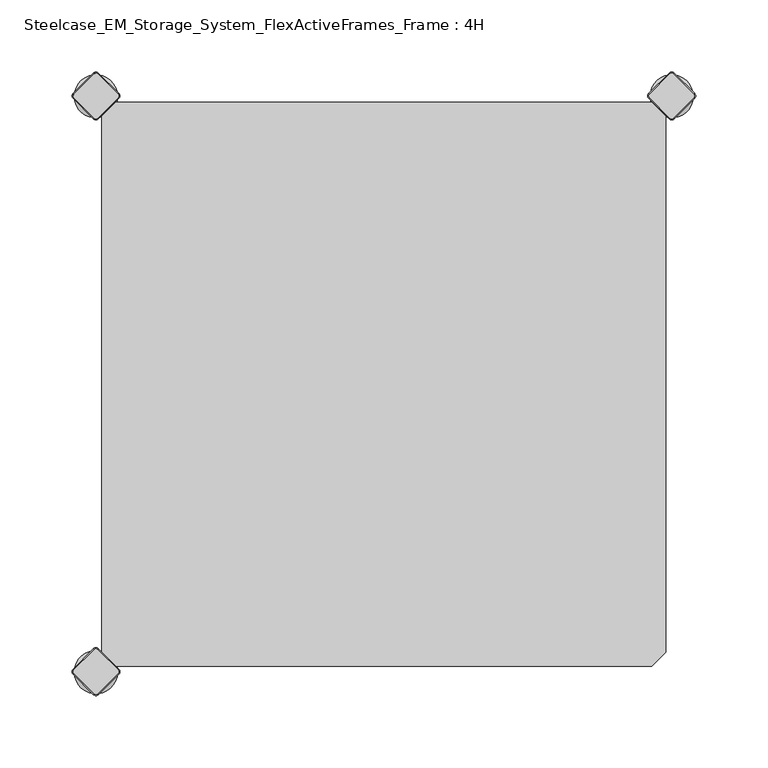
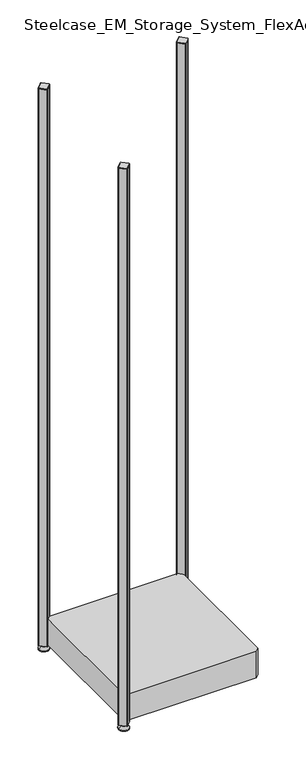
"""IFC4 building model written with IfcOpenShell, lengths in millimetres: furniture geometry, Steelcase_EM_Storage_System_FlexActiveFrames_Frame : 4H."""

from ifc_helpers import new_model, si_unit, point, frame, frame_2d, origin, place, context, project, spatial, polyline, circle_curve, trimmed, segment, composite_curve, outline, extrude, source, transform, mapped, element, save
from ifc_brep_helpers import plane_surface, cylinder_surface, revolved_surface, advanced_brep


def steelcase_em_storage_system_flexactiveframes_frame_4h_d5d25303(model_context):
    return source(origin(), model_context, "Body", "SolidModel", [
        advanced_brep(
        [(385.0, 0.0, 0.0), (415.0, 0.0, 0.0), (400.0, 0.0, 0.0), (385.0, 0.0, 2.0), (415.0, 0.0, 2.0), (392.0, 0.0, 9.0), (408.0, 0.0, 9.0), (396.0, 0.0, 9.0), (404.0, 0.0, 9.0), (396.0, 0.0, 15.0), (404.0, 0.0, 15.0), (400.0, 0.0, 15.0)],
        [
            (0, 1, circle_curve(frame((400.0, 0.0, 0.0), z_axis=(0.0, 0.0, -1.0), x_axis=(1.0, 0.0, 0.0)), 15.0)),
            (1, 2),
            (2, 0),
            (1, 0, circle_curve(frame((400.0, 0.0, 0.0), z_axis=(0.0, 0.0, -1.0), x_axis=(1.0, 0.0, 0.0)), 15.0)),
            (3, 4, circle_curve(frame((400.0, 0.0, 2.0), z_axis=(0.0, 0.0, -1.0), x_axis=(1.0, 0.0, 0.0)), 15.0)),
            (4, 1),
            (0, 3),
            (4, 3, circle_curve(frame((400.0, 0.0, 2.0), z_axis=(0.0, 0.0, -1.0), x_axis=(1.0, 0.0, 0.0)), 15.0)),
            (5, 6, circle_curve(frame((400.0, 0.0, 9.0), z_axis=(0.0, 0.0, -1.0), x_axis=(1.0, 0.0, 0.0)), 8.0)),
            (6, 4),
            (3, 5),
            (6, 5, circle_curve(frame((400.0, 0.0, 9.0), z_axis=(0.0, 0.0, -1.0), x_axis=(1.0, 0.0, 0.0)), 8.0)),
            (7, 8, circle_curve(frame((400.0, 0.0, 9.0), z_axis=(0.0, 0.0, -1.0), x_axis=(1.0, 0.0, 0.0)), 4.0)),
            (8, 6),
            (5, 7),
            (8, 7, circle_curve(frame((400.0, 0.0, 9.0), z_axis=(0.0, 0.0, -1.0), x_axis=(1.0, 0.0, 0.0)), 4.0)),
            (9, 10, circle_curve(frame((400.0, 0.0, 15.0), z_axis=(0.0, 0.0, -1.0), x_axis=(1.0, 0.0, 0.0)), 4.0)),
            (10, 8),
            (7, 9),
            (10, 9, circle_curve(frame((400.0, 0.0, 15.0), z_axis=(0.0, 0.0, -1.0), x_axis=(1.0, 0.0, 0.0)), 4.0)),
            (11, 10),
            (9, 11),
        ],
        [
            plane_surface(frame((400.0, 0.0, 0.0), z_axis=(0.0, 0.0, -1.0), x_axis=(1.0, 0.0, 0.0))),
            cylinder_surface(frame((400.0, 0.0, 18.6083303), z_axis=(0.0, 0.0, 1.0), x_axis=(1.0, 0.0, 0.0)), 15.0),
            revolved_surface(polyline([(415.0, 0.0, 2.0), (408.0, 0.0, 9.0)]), (400.0, 0.0, 18.6083303), (0.0, 0.0, 1.0)),
            plane_surface(frame((400.0, 0.0, 9.0), z_axis=(0.0, 0.0, 1.0), x_axis=(1.0, 0.0, 0.0))),
            cylinder_surface(frame((400.0, 0.0, 18.6083303), z_axis=(0.0, 0.0, 1.0), x_axis=(1.0, 0.0, 0.0)), 4.0),
            plane_surface(frame((400.0, 0.0, 15.0), z_axis=(0.0, 0.0, 1.0), x_axis=(1.0, 0.0, 0.0))),
        ],
        [
            (0, [[1, 2, 3]]),
            (0, [[4, -3, -2]]),
            (1, [[5, 6, -1, 7]]),
            (1, [[8, -7, -4, -6]]),
            (2, [[9, 10, -5, 11]]),
            (2, [[12, -11, -8, -10]]),
            (3, [[13, 14, -9, 15]]),
            (3, [[16, -15, -12, -14]]),
            (4, [[17, 18, -13, 19]]),
            (4, [[20, -19, -16, -18]]),
            (5, [[21, -17, 22]]),
            (5, [[-22, -20, -21]]),
        ],
    ),
        advanced_brep(
        [(398.7979185, 15.3442172, 1717.0), (384.6557828, 1.2020815, 1717.0), (384.6557828, -1.2020815, 1717.0), (398.7979185, -15.3442172, 1717.0), (401.2020815, -15.3442172, 1717.0), (415.3442172, -1.2020815, 1717.0), (415.3442172, 1.2020815, 1717.0), (401.2020815, 15.3442172, 1717.0), (398.232233, 15.9099026, 1715.0), (401.767767, 15.9099026, 1715.0), (415.9099026, 1.767767, 1715.0), (415.9099026, -1.767767, 1715.0), (401.767767, -15.9099026, 1715.0), (398.232233, -15.9099026, 1715.0), (384.0900974, -1.767767, 1715.0), (384.0900974, 1.767767, 1715.0)],
        [
            (0, 1),
            (1, 2, circle_curve(frame((385.8578644, 0.0, 1717.0), z_axis=(0.0, 0.0, 1.0), x_axis=(-0.707106781186549, 0.707106781186546, 0.0)), 1.7)),
            (2, 3),
            (3, 4, circle_curve(frame((400.0, -14.1421356, 1717.0), z_axis=(0.0, 0.0, 1.0), x_axis=(-0.7071067811865497, -0.7071067811865452, 0.0)), 1.7)),
            (4, 5),
            (5, 6, circle_curve(frame((414.1421356, 0.0, 1717.0), z_axis=(0.0, 0.0, 1.0), x_axis=(0.7071067811865358, -0.7071067811865593, 0.0)), 1.7)),
            (6, 7),
            (7, 0, circle_curve(frame((400.0, 14.1421356, 1717.0), z_axis=(0.0, 0.0, 1.0), x_axis=(0.7071067811865486, 0.7071067811865465, 0.0)), 1.7)),
            (8, 9, circle_curve(frame((400.0, 14.1421356, 1715.0), z_axis=(0.0, 0.0, -1.0), x_axis=(0.7071067811865486, 0.7071067811865465, 0.0)), 2.5)),
            (9, 10),
            (10, 11, circle_curve(frame((414.1421356, 0.0, 1715.0), z_axis=(0.0, 0.0, -1.0), x_axis=(0.7071067811865358, -0.7071067811865593, 0.0)), 2.5)),
            (11, 12),
            (12, 13, circle_curve(frame((400.0, -14.1421356, 1715.0), z_axis=(0.0, 0.0, -1.0), x_axis=(-0.7071067811865497, -0.7071067811865452, 0.0)), 2.5)),
            (13, 14),
            (14, 15, circle_curve(frame((385.8578644, 0.0, 1715.0), z_axis=(0.0, 0.0, -1.0), x_axis=(-0.707106781186549, 0.707106781186546, 0.0)), 2.5)),
            (15, 8),
            (15, 1),
            (0, 8),
            (14, 2),
            (13, 3),
            (12, 4),
            (11, 5),
            (10, 6),
            (9, 7),
        ],
        [
            plane_surface(frame((400.0, 0.0, 1717.0), z_axis=(0.0, 0.0, 1.0), x_axis=(-0.7071067811865437, 0.7071067811865515, 0.0))),
            plane_surface(frame((400.0, 0.0, 1715.0), z_axis=(0.0, 0.0, -1.0), x_axis=(-0.7071067811865437, 0.7071067811865515, 0.0))),
            plane_surface(frame((391.1611652, 8.8388348, 1715.0), z_axis=(-0.6565321642986293, 0.6565321642986277, 0.37139067635404877), x_axis=(-0.7071067811865461, -0.707106781186549, 0.0))),
            revolved_surface(polyline([(384.65578284, 1.20208156, 1717.0), (384.0900974, 1.767767, 1715.0)]), (385.8578644, 0.0, 1721.25), (0.0, 0.0, -1.0)),
            plane_surface(frame((391.1611652, -8.8388348, 1715.0), z_axis=(-0.656532164298625, -0.656532164298632, 0.37139067635404815), x_axis=(0.7071067811865507, -0.7071067811865444, 0.0))),
            revolved_surface(polyline([(398.79791844, -15.34421716, 1717.0), (398.232233, -15.9099026, 1715.0)]), (400.0, -14.1421356, 1721.25), (0.0, 0.0, -1.0)),
            plane_surface(frame((408.8388348, -8.8388348, 1715.0), z_axis=(0.6565321642986273, -0.6565321642986317, 0.3713906763540451), x_axis=(0.7071067811865506, 0.7071067811865446, 0.0))),
            revolved_surface(polyline([(415.34421716, -1.20208156, 1717.0), (415.9099026, -1.767767, 1715.0)]), (414.1421356, 0.0, 1721.25), (0.0, 0.0, -1.0)),
            plane_surface(frame((408.8388348, 8.8388348, 1715.0), z_axis=(0.6565321642986316, 0.6565321642986274, 0.3713906763540451), x_axis=(-0.7071067811865459, 0.7071067811865492, 0.0))),
            revolved_surface(polyline([(401.20208156, 15.34421716, 1717.0), (401.767767, 15.9099026, 1715.0)]), (400.0, 14.1421356, 1721.25), (0.0, 0.0, -1.0)),
        ],
        [
            (0, [[1, 2, 3, 4, 5, 6, 7, 8]]),
            (1, [[9, 10, 11, 12, 13, 14, 15, 16]]),
            (2, [[-16, 17, -1, 18]]),
            (3, [[-15, 19, -2, -17]]),
            (4, [[-14, 20, -3, -19]]),
            (5, [[-13, 21, -4, -20]]),
            (6, [[-12, 22, -5, -21]]),
            (7, [[-11, 23, -6, -22]]),
            (8, [[-10, 24, -7, -23]]),
            (9, [[-9, -18, -8, -24]]),
        ],
    ),
        extrude(outline(composite_curve([segment(trimmed(circle_curve(frame_2d((414.1421356, 0.0)), 2.5), [point((415.9099026, 1.767767))], [point((415.9099026, -1.767767))], False, "CARTESIAN"), True, "CONTINUOUS"), segment(polyline([(415.9099026, -1.767767), (401.767767, -15.9099026)]), True, "CONTINUOUS"), segment(trimmed(circle_curve(frame_2d((400.0, -14.1421356)), 2.5), [point((401.767767, -15.9099026))], [point((398.232233, -15.9099026))], False, "CARTESIAN"), True, "CONTINUOUS"), segment(polyline([(398.232233, -15.9099026), (384.0900974, -1.767767)]), True, "CONTINUOUS"), segment(trimmed(circle_curve(frame_2d((385.8578644, 0.0)), 2.5), [point((384.0900974, -1.767767))], [point((384.0900974, 1.767767))], False, "CARTESIAN"), True, "CONTINUOUS"), segment(polyline([(384.0900974, 1.767767), (398.232233, 15.9099026)]), True, "CONTINUOUS"), segment(trimmed(circle_curve(frame_2d((400.0, 14.1421356)), 2.5), [point((398.232233, 15.9099026))], [point((401.767767, 15.9099026))], False, "CARTESIAN"), True, "CONTINUOUS"), segment(polyline([(401.767767, 15.9099026), (415.9099026, 1.767767)]), True, "CONTINUOUS")], self_intersect=False)), frame((0.0, 0.0, 15.0), z_axis=(0.0, 0.0, 1.0), x_axis=(1.0, 0.0, 0.0)), (0.0, 0.0, 1.0), 1700.0),
        advanced_brep(
        [(-15.0, -400.0, 0.0), (15.0, -400.0, 0.0), (0.0, -400.0, 0.0), (-15.0, -400.0, 2.0), (15.0, -400.0, 2.0), (-8.0, -400.0, 9.0), (8.0, -400.0, 9.0), (-4.0, -400.0, 9.0), (4.0, -400.0, 9.0), (-4.0, -400.0, 15.0), (4.0, -400.0, 15.0), (0.0, -400.0, 15.0)],
        [
            (0, 1, circle_curve(frame((0.0, -400.0, 0.0), z_axis=(0.0, 0.0, -1.0), x_axis=(1.0, 0.0, 0.0)), 15.0)),
            (1, 2),
            (2, 0),
            (1, 0, circle_curve(frame((0.0, -400.0, 0.0), z_axis=(0.0, 0.0, -1.0), x_axis=(1.0, 0.0, 0.0)), 15.0)),
            (3, 4, circle_curve(frame((0.0, -400.0, 2.0), z_axis=(0.0, 0.0, -1.0), x_axis=(1.0, 0.0, 0.0)), 15.0)),
            (4, 1),
            (0, 3),
            (4, 3, circle_curve(frame((0.0, -400.0, 2.0), z_axis=(0.0, 0.0, -1.0), x_axis=(1.0, 0.0, 0.0)), 15.0)),
            (5, 6, circle_curve(frame((0.0, -400.0, 9.0), z_axis=(0.0, 0.0, -1.0), x_axis=(1.0, 0.0, 0.0)), 8.0)),
            (6, 4),
            (3, 5),
            (6, 5, circle_curve(frame((0.0, -400.0, 9.0), z_axis=(0.0, 0.0, -1.0), x_axis=(1.0, 0.0, 0.0)), 8.0)),
            (7, 8, circle_curve(frame((0.0, -400.0, 9.0), z_axis=(0.0, 0.0, -1.0), x_axis=(1.0, 0.0, 0.0)), 4.0)),
            (8, 6),
            (5, 7),
            (8, 7, circle_curve(frame((0.0, -400.0, 9.0), z_axis=(0.0, 0.0, -1.0), x_axis=(1.0, 0.0, 0.0)), 4.0)),
            (9, 10, circle_curve(frame((0.0, -400.0, 15.0), z_axis=(0.0, 0.0, -1.0), x_axis=(1.0, 0.0, 0.0)), 4.0)),
            (10, 8),
            (7, 9),
            (10, 9, circle_curve(frame((0.0, -400.0, 15.0), z_axis=(0.0, 0.0, -1.0), x_axis=(1.0, 0.0, 0.0)), 4.0)),
            (11, 10),
            (9, 11),
        ],
        [
            plane_surface(frame((0.0, -400.0, 0.0), z_axis=(0.0, 0.0, -1.0), x_axis=(1.0, 0.0, 0.0))),
            cylinder_surface(frame((0.0, -400.0, 18.6083303), z_axis=(0.0, 0.0, 1.0), x_axis=(1.0, 0.0, 0.0)), 15.0),
            revolved_surface(polyline([(15.0, -400.0, 2.0), (8.0, -400.0, 9.0)]), (0.0, -400.0, 18.6083303), (0.0, 0.0, 1.0)),
            plane_surface(frame((0.0, -400.0, 9.0), z_axis=(0.0, 0.0, 1.0), x_axis=(1.0, 0.0, 0.0))),
            cylinder_surface(frame((0.0, -400.0, 18.6083303), z_axis=(0.0, 0.0, 1.0), x_axis=(1.0, 0.0, 0.0)), 4.0),
            plane_surface(frame((0.0, -400.0, 15.0), z_axis=(0.0, 0.0, 1.0), x_axis=(1.0, 0.0, 0.0))),
        ],
        [
            (0, [[1, 2, 3]]),
            (0, [[4, -3, -2]]),
            (1, [[5, 6, -1, 7]]),
            (1, [[8, -7, -4, -6]]),
            (2, [[9, 10, -5, 11]]),
            (2, [[12, -11, -8, -10]]),
            (3, [[13, 14, -9, 15]]),
            (3, [[16, -15, -12, -14]]),
            (4, [[17, 18, -13, 19]]),
            (4, [[20, -19, -16, -18]]),
            (5, [[21, -17, 22]]),
            (5, [[-22, -20, -21]]),
        ],
    ),
        advanced_brep(
        [(-1.2020815, -384.6557828, 1717.0), (-15.3442172, -398.7979185, 1717.0), (-15.3442172, -401.2020815, 1717.0), (-1.2020815, -415.3442172, 1717.0), (1.2020815, -415.3442172, 1717.0), (15.3442172, -401.2020815, 1717.0), (15.3442172, -398.7979185, 1717.0), (1.2020815, -384.6557828, 1717.0), (-1.767767, -384.0900974, 1715.0), (1.767767, -384.0900974, 1715.0), (15.9099026, -398.232233, 1715.0), (15.9099026, -401.767767, 1715.0), (1.767767, -415.9099026, 1715.0), (-1.767767, -415.9099026, 1715.0), (-15.9099026, -401.767767, 1715.0), (-15.9099026, -398.232233, 1715.0)],
        [
            (0, 1),
            (1, 2, circle_curve(frame((-14.1421356, -400.0, 1717.0), z_axis=(0.0, 0.0, 1.0), x_axis=(-0.707106781186549, 0.707106781186546, 0.0)), 1.7)),
            (2, 3),
            (3, 4, circle_curve(frame((0.0, -414.1421356, 1717.0), z_axis=(0.0, 0.0, 1.0), x_axis=(-0.7071067811865497, -0.7071067811865452, 0.0)), 1.7)),
            (4, 5),
            (5, 6, circle_curve(frame((14.1421356, -400.0, 1717.0), z_axis=(0.0, 0.0, 1.0), x_axis=(0.7071067811865358, -0.7071067811865593, 0.0)), 1.7)),
            (6, 7),
            (7, 0, circle_curve(frame((0.0, -385.8578644, 1717.0), z_axis=(0.0, 0.0, 1.0), x_axis=(0.7071067811865486, 0.7071067811865465, 0.0)), 1.7)),
            (8, 9, circle_curve(frame((0.0, -385.8578644, 1715.0), z_axis=(0.0, 0.0, -1.0), x_axis=(0.7071067811865486, 0.7071067811865465, 0.0)), 2.5)),
            (9, 10),
            (10, 11, circle_curve(frame((14.1421356, -400.0, 1715.0), z_axis=(0.0, 0.0, -1.0), x_axis=(0.7071067811865358, -0.7071067811865593, 0.0)), 2.5)),
            (11, 12),
            (12, 13, circle_curve(frame((0.0, -414.1421356, 1715.0), z_axis=(0.0, 0.0, -1.0), x_axis=(-0.7071067811865497, -0.7071067811865452, 0.0)), 2.5)),
            (13, 14),
            (14, 15, circle_curve(frame((-14.1421356, -400.0, 1715.0), z_axis=(0.0, 0.0, -1.0), x_axis=(-0.707106781186549, 0.707106781186546, 0.0)), 2.5)),
            (15, 8),
            (15, 1),
            (0, 8),
            (14, 2),
            (13, 3),
            (12, 4),
            (11, 5),
            (10, 6),
            (9, 7),
        ],
        [
            plane_surface(frame((0.0, -400.0, 1717.0), z_axis=(0.0, 0.0, 1.0), x_axis=(-0.7071067811865437, 0.7071067811865515, 0.0))),
            plane_surface(frame((0.0, -400.0, 1715.0), z_axis=(0.0, 0.0, -1.0), x_axis=(-0.7071067811865437, 0.7071067811865515, 0.0))),
            plane_surface(frame((-8.8388348, -391.1611652, 1715.0), z_axis=(-0.6565321642986293, 0.6565321642986277, 0.37139067635404877), x_axis=(-0.7071067811865461, -0.707106781186549, 0.0))),
            revolved_surface(polyline([(-15.34421716, -398.79791844, 1717.0), (-15.9099026, -398.232233, 1715.0)]), (-14.1421356, -400.0, 1721.25), (0.0, 0.0, -1.0)),
            plane_surface(frame((-8.8388348, -408.8388348, 1715.0), z_axis=(-0.656532164298625, -0.656532164298632, 0.37139067635404815), x_axis=(0.7071067811865507, -0.7071067811865444, 0.0))),
            revolved_surface(polyline([(-1.20208156, -415.34421716, 1717.0), (-1.767767, -415.9099026, 1715.0)]), (0.0, -414.1421356, 1721.25), (0.0, 0.0, -1.0)),
            plane_surface(frame((8.8388348, -408.8388348, 1715.0), z_axis=(0.6565321642986273, -0.6565321642986317, 0.3713906763540451), x_axis=(0.7071067811865506, 0.7071067811865446, 0.0))),
            revolved_surface(polyline([(15.34421716, -401.20208156, 1717.0), (15.9099026, -401.767767, 1715.0)]), (14.1421356, -400.0, 1721.25), (0.0, 0.0, -1.0)),
            plane_surface(frame((8.8388348, -391.1611652, 1715.0), z_axis=(0.6565321642986316, 0.6565321642986274, 0.3713906763540451), x_axis=(-0.7071067811865459, 0.7071067811865492, 0.0))),
            revolved_surface(polyline([(1.20208156, -384.65578284, 1717.0), (1.767767, -384.0900974, 1715.0)]), (0.0, -385.8578644, 1721.25), (0.0, 0.0, -1.0)),
        ],
        [
            (0, [[1, 2, 3, 4, 5, 6, 7, 8]]),
            (1, [[9, 10, 11, 12, 13, 14, 15, 16]]),
            (2, [[-16, 17, -1, 18]]),
            (3, [[-15, 19, -2, -17]]),
            (4, [[-14, 20, -3, -19]]),
            (5, [[-13, 21, -4, -20]]),
            (6, [[-12, 22, -5, -21]]),
            (7, [[-11, 23, -6, -22]]),
            (8, [[-10, 24, -7, -23]]),
            (9, [[-9, -18, -8, -24]]),
        ],
    ),
        extrude(outline(composite_curve([segment(trimmed(circle_curve(frame_2d((14.1421356, -400.0)), 2.5), [point((15.9099026, -398.232233))], [point((15.9099026, -401.767767))], False, "CARTESIAN"), True, "CONTINUOUS"), segment(polyline([(15.9099026, -401.767767), (1.767767, -415.9099026)]), True, "CONTINUOUS"), segment(trimmed(circle_curve(frame_2d((0.0, -414.1421356)), 2.5), [point((1.767767, -415.9099026))], [point((-1.767767, -415.9099026))], False, "CARTESIAN"), True, "CONTINUOUS"), segment(polyline([(-1.767767, -415.9099026), (-15.9099026, -401.767767)]), True, "CONTINUOUS"), segment(trimmed(circle_curve(frame_2d((-14.1421356, -400.0)), 2.5), [point((-15.9099026, -401.767767))], [point((-15.9099026, -398.232233))], False, "CARTESIAN"), True, "CONTINUOUS"), segment(polyline([(-15.9099026, -398.232233), (-1.767767, -384.0900974)]), True, "CONTINUOUS"), segment(trimmed(circle_curve(frame_2d((0.0, -385.8578644)), 2.5), [point((-1.767767, -384.0900974))], [point((1.767767, -384.0900974))], False, "CARTESIAN"), True, "CONTINUOUS"), segment(polyline([(1.767767, -384.0900974), (15.9099026, -398.232233)]), True, "CONTINUOUS")], self_intersect=False)), frame((0.0, 0.0, 15.0), z_axis=(0.0, 0.0, 1.0), x_axis=(1.0, 0.0, 0.0)), (0.0, 0.0, 1.0), 1700.0),
        advanced_brep(
        [(-15.0, 0.0, 0.0), (15.0, 0.0, 0.0), (0.0, 0.0, 0.0), (-15.0, 0.0, 2.0), (15.0, 0.0, 2.0), (-8.0, 0.0, 9.0), (8.0, 0.0, 9.0), (-4.0, 0.0, 9.0), (4.0, 0.0, 9.0), (-4.0, 0.0, 15.0), (4.0, 0.0, 15.0), (0.0, 0.0, 15.0)],
        [
            (0, 1, circle_curve(frame((0.0, 0.0, 0.0), z_axis=(0.0, 0.0, -1.0), x_axis=(1.0, 0.0, 0.0)), 15.0)),
            (1, 2),
            (2, 0),
            (1, 0, circle_curve(frame((0.0, 0.0, 0.0), z_axis=(0.0, 0.0, -1.0), x_axis=(1.0, 0.0, 0.0)), 15.0)),
            (3, 4, circle_curve(frame((0.0, 0.0, 2.0), z_axis=(0.0, 0.0, -1.0), x_axis=(1.0, 0.0, 0.0)), 15.0)),
            (4, 1),
            (0, 3),
            (4, 3, circle_curve(frame((0.0, 0.0, 2.0), z_axis=(0.0, 0.0, -1.0), x_axis=(1.0, 0.0, 0.0)), 15.0)),
            (5, 6, circle_curve(frame((0.0, 0.0, 9.0), z_axis=(0.0, 0.0, -1.0), x_axis=(1.0, 0.0, 0.0)), 8.0)),
            (6, 4),
            (3, 5),
            (6, 5, circle_curve(frame((0.0, 0.0, 9.0), z_axis=(0.0, 0.0, -1.0), x_axis=(1.0, 0.0, 0.0)), 8.0)),
            (7, 8, circle_curve(frame((0.0, 0.0, 9.0), z_axis=(0.0, 0.0, -1.0), x_axis=(1.0, 0.0, 0.0)), 4.0)),
            (8, 6),
            (5, 7),
            (8, 7, circle_curve(frame((0.0, 0.0, 9.0), z_axis=(0.0, 0.0, -1.0), x_axis=(1.0, 0.0, 0.0)), 4.0)),
            (9, 10, circle_curve(frame((0.0, 0.0, 15.0), z_axis=(0.0, 0.0, -1.0), x_axis=(1.0, 0.0, 0.0)), 4.0)),
            (10, 8),
            (7, 9),
            (10, 9, circle_curve(frame((0.0, 0.0, 15.0), z_axis=(0.0, 0.0, -1.0), x_axis=(1.0, 0.0, 0.0)), 4.0)),
            (11, 10),
            (9, 11),
        ],
        [
            plane_surface(frame((0.0, 0.0, 0.0), z_axis=(0.0, 0.0, -1.0), x_axis=(1.0, 0.0, 0.0))),
            cylinder_surface(frame((0.0, 0.0, 18.6083303), z_axis=(0.0, 0.0, 1.0), x_axis=(1.0, 0.0, 0.0)), 15.0),
            revolved_surface(polyline([(15.0, 0.0, 2.0), (8.0, 0.0, 9.0)]), (0.0, 0.0, 18.6083303), (0.0, 0.0, 1.0)),
            plane_surface(frame((0.0, 0.0, 9.0), z_axis=(0.0, 0.0, 1.0), x_axis=(1.0, 0.0, 0.0))),
            cylinder_surface(frame((0.0, 0.0, 18.6083303), z_axis=(0.0, 0.0, 1.0), x_axis=(1.0, 0.0, 0.0)), 4.0),
            plane_surface(frame((0.0, 0.0, 15.0), z_axis=(0.0, 0.0, 1.0), x_axis=(1.0, 0.0, 0.0))),
        ],
        [
            (0, [[1, 2, 3]]),
            (0, [[4, -3, -2]]),
            (1, [[5, 6, -1, 7]]),
            (1, [[8, -7, -4, -6]]),
            (2, [[9, 10, -5, 11]]),
            (2, [[12, -11, -8, -10]]),
            (3, [[13, 14, -9, 15]]),
            (3, [[16, -15, -12, -14]]),
            (4, [[17, 18, -13, 19]]),
            (4, [[20, -19, -16, -18]]),
            (5, [[21, -17, 22]]),
            (5, [[-22, -20, -21]]),
        ],
    ),
        advanced_brep(
        [(-1.2020815, 15.3442172, 1717.0), (-15.3442172, 1.2020815, 1717.0), (-15.3442172, -1.2020815, 1717.0), (-1.2020815, -15.3442172, 1717.0), (1.2020815, -15.3442172, 1717.0), (15.3442172, -1.2020815, 1717.0), (15.3442172, 1.2020815, 1717.0), (1.2020815, 15.3442172, 1717.0), (-1.767767, 15.9099026, 1715.0), (1.767767, 15.9099026, 1715.0), (15.9099026, 1.767767, 1715.0), (15.9099026, -1.767767, 1715.0), (1.767767, -15.9099026, 1715.0), (-1.767767, -15.9099026, 1715.0), (-15.9099026, -1.767767, 1715.0), (-15.9099026, 1.767767, 1715.0)],
        [
            (0, 1),
            (1, 2, circle_curve(frame((-14.1421356, 0.0, 1717.0), z_axis=(0.0, 0.0, 1.0), x_axis=(-0.707106781186549, 0.707106781186546, 0.0)), 1.7)),
            (2, 3),
            (3, 4, circle_curve(frame((0.0, -14.1421356, 1717.0), z_axis=(0.0, 0.0, 1.0), x_axis=(-0.7071067811865497, -0.7071067811865452, 0.0)), 1.7)),
            (4, 5),
            (5, 6, circle_curve(frame((14.1421356, 0.0, 1717.0), z_axis=(0.0, 0.0, 1.0), x_axis=(0.7071067811865358, -0.7071067811865593, 0.0)), 1.7)),
            (6, 7),
            (7, 0, circle_curve(frame((0.0, 14.1421356, 1717.0), z_axis=(0.0, 0.0, 1.0), x_axis=(0.7071067811865486, 0.7071067811865465, 0.0)), 1.7)),
            (8, 9, circle_curve(frame((0.0, 14.1421356, 1715.0), z_axis=(0.0, 0.0, -1.0), x_axis=(0.7071067811865486, 0.7071067811865465, 0.0)), 2.5)),
            (9, 10),
            (10, 11, circle_curve(frame((14.1421356, 0.0, 1715.0), z_axis=(0.0, 0.0, -1.0), x_axis=(0.7071067811865358, -0.7071067811865593, 0.0)), 2.5)),
            (11, 12),
            (12, 13, circle_curve(frame((0.0, -14.1421356, 1715.0), z_axis=(0.0, 0.0, -1.0), x_axis=(-0.7071067811865497, -0.7071067811865452, 0.0)), 2.5)),
            (13, 14),
            (14, 15, circle_curve(frame((-14.1421356, 0.0, 1715.0), z_axis=(0.0, 0.0, -1.0), x_axis=(-0.707106781186549, 0.707106781186546, 0.0)), 2.5)),
            (15, 8),
            (15, 1),
            (0, 8),
            (14, 2),
            (13, 3),
            (12, 4),
            (11, 5),
            (10, 6),
            (9, 7),
        ],
        [
            plane_surface(frame((0.0, 0.0, 1717.0), z_axis=(0.0, 0.0, 1.0), x_axis=(-0.7071067811865437, 0.7071067811865515, 0.0))),
            plane_surface(frame((0.0, 0.0, 1715.0), z_axis=(0.0, 0.0, -1.0), x_axis=(-0.7071067811865437, 0.7071067811865515, 0.0))),
            plane_surface(frame((-8.8388348, 8.8388348, 1715.0), z_axis=(-0.6565321642986293, 0.6565321642986277, 0.37139067635404877), x_axis=(-0.7071067811865461, -0.707106781186549, 0.0))),
            revolved_surface(polyline([(-15.34421716, 1.20208156, 1717.0), (-15.9099026, 1.767767, 1715.0)]), (-14.1421356, 0.0, 1721.25), (0.0, 0.0, -1.0)),
            plane_surface(frame((-8.8388348, -8.8388348, 1715.0), z_axis=(-0.656532164298625, -0.656532164298632, 0.37139067635404815), x_axis=(0.7071067811865507, -0.7071067811865444, 0.0))),
            revolved_surface(polyline([(-1.20208156, -15.34421716, 1717.0), (-1.767767, -15.9099026, 1715.0)]), (0.0, -14.1421356, 1721.25), (0.0, 0.0, -1.0)),
            plane_surface(frame((8.8388348, -8.8388348, 1715.0), z_axis=(0.6565321642986273, -0.6565321642986317, 0.3713906763540451), x_axis=(0.7071067811865506, 0.7071067811865446, 0.0))),
            revolved_surface(polyline([(15.34421716, -1.20208156, 1717.0), (15.9099026, -1.767767, 1715.0)]), (14.1421356, 0.0, 1721.25), (0.0, 0.0, -1.0)),
            plane_surface(frame((8.8388348, 8.8388348, 1715.0), z_axis=(0.6565321642986316, 0.6565321642986274, 0.3713906763540451), x_axis=(-0.7071067811865459, 0.7071067811865492, 0.0))),
            revolved_surface(polyline([(1.20208156, 15.34421716, 1717.0), (1.767767, 15.9099026, 1715.0)]), (0.0, 14.1421356, 1721.25), (0.0, 0.0, -1.0)),
        ],
        [
            (0, [[1, 2, 3, 4, 5, 6, 7, 8]]),
            (1, [[9, 10, 11, 12, 13, 14, 15, 16]]),
            (2, [[-16, 17, -1, 18]]),
            (3, [[-15, 19, -2, -17]]),
            (4, [[-14, 20, -3, -19]]),
            (5, [[-13, 21, -4, -20]]),
            (6, [[-12, 22, -5, -21]]),
            (7, [[-11, 23, -6, -22]]),
            (8, [[-10, 24, -7, -23]]),
            (9, [[-9, -18, -8, -24]]),
        ],
    ),
        extrude(outline(composite_curve([segment(trimmed(circle_curve(frame_2d((14.1421356, 0.0)), 2.5), [point((15.9099026, 1.767767))], [point((15.9099026, -1.767767))], False, "CARTESIAN"), True, "CONTINUOUS"), segment(polyline([(15.9099026, -1.767767), (1.767767, -15.9099026)]), True, "CONTINUOUS"), segment(trimmed(circle_curve(frame_2d((0.0, -14.1421356)), 2.5), [point((1.767767, -15.9099026))], [point((-1.767767, -15.9099026))], False, "CARTESIAN"), True, "CONTINUOUS"), segment(polyline([(-1.767767, -15.9099026), (-15.9099026, -1.767767)]), True, "CONTINUOUS"), segment(trimmed(circle_curve(frame_2d((-14.1421356, 0.0)), 2.5), [point((-15.9099026, -1.767767))], [point((-15.9099026, 1.767767))], False, "CARTESIAN"), True, "CONTINUOUS"), segment(polyline([(-15.9099026, 1.767767), (-1.767767, 15.9099026)]), True, "CONTINUOUS"), segment(trimmed(circle_curve(frame_2d((0.0, 14.1421356)), 2.5), [point((-1.767767, 15.9099026))], [point((1.767767, 15.9099026))], False, "CARTESIAN"), True, "CONTINUOUS"), segment(polyline([(1.767767, 15.9099026), (15.9099026, 1.767767)]), True, "CONTINUOUS")], self_intersect=False)), frame((0.0, 0.0, 15.0), z_axis=(0.0, 0.0, 1.0), x_axis=(1.0, 0.0, 0.0)), (0.0, 0.0, 1.0), 1700.0),
        extrude(outline(polyline([(4.0, -13.6776695), (13.6776695, -4.0), (386.3223305, -4.0), (396.0, -13.6776695), (396.0, -386.3223305), (386.3223305, -396.0), (13.6776695, -396.0), (4.0, -386.3223305), (4.0, -13.6776695)])), frame((0.0, 0.0, 16.0), z_axis=(0.0, 0.0, 1.0), x_axis=(1.0, 0.0, 0.0)), (0.0, 0.0, 1.0), 80.0),
    ])


if __name__ == "__main__":
    model = new_model("IFC4")
    model_context = context("Model", 3, world=origin())
    ifc_project = project(units=[si_unit("LENGTHUNIT", "METRE", prefix="MILLI")], contexts=[model_context])
    site = spatial("IfcSite", under=ifc_project)
    building = spatial("IfcBuilding", under=site)
    placement = place(None, origin())
    steelcase_em_storage_system_flexactiveframes_frame_4h_shape = steelcase_em_storage_system_flexactiveframes_frame_4h_d5d25303(model_context)
    element("IfcFurniture", 1, ObjectType="Steelcase_EM_Storage_System_FlexActiveFrames_Frame : 4H", at=placement, inside=building, context=model_context, shape_type="MappedRepresentation", body=[
        mapped(steelcase_em_storage_system_flexactiveframes_frame_4h_shape, transform((0.0, 0.0, 0.0), x_axis=(1.0, 0.0, 0.0), y_axis=(0.0, 1.0, 0.0), z_axis=(0.0, 0.0, 1.0))),
    ])
    save(model, "model.ifc")
